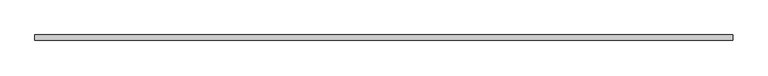
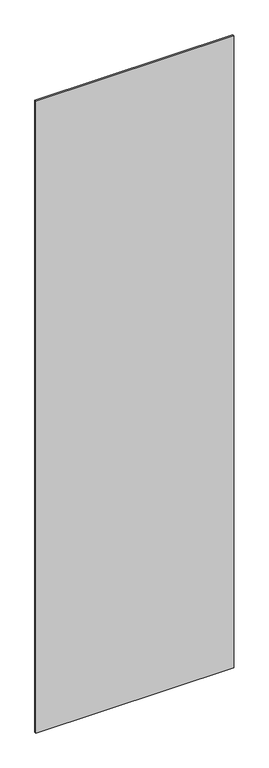
"""IFC4 building model written with IfcOpenShell, lengths in millimetres: plate geometry."""

from ifc_helpers import new_model, si_unit, origin, origin_with_axes, place, context, project, spatial, polyline, outline, extrude, source, transform, mapped, element, save


def plate_96bf0072(model_context):
    return source(origin(), model_context, "Body", "SweptSolid", [
        extrude(outline(polyline([(646.1999103, -5.0), (-646.1999103, -5.0), (-646.1999103, 5.0), (646.1999103, 5.0), (646.1999103, -5.0)])), origin_with_axes(), (0.0, 0.0, 1.0), 4360.0),
    ])


if __name__ == "__main__":
    model = new_model("IFC4")
    model_context = context("Model", 3, world=origin())
    ifc_project = project(units=[si_unit("LENGTHUNIT", "METRE", prefix="MILLI")], contexts=[model_context])
    site = spatial("IfcSite", under=ifc_project)
    building = spatial("IfcBuilding", under=site)
    placement = place(None, origin())
    plate_shape = plate_96bf0072(model_context)
    element("IfcPlate", 1, at=placement, inside=building, context=model_context, shape_type="MappedRepresentation", body=[
        mapped(plate_shape, transform((0.0, 0.0, 0.0), x_axis=(1.0, 0.0, 0.0), y_axis=(0.0, 1.0, 0.0), z_axis=(0.0, 0.0, 1.0))),
    ])
    save(model, "model.ifc")
